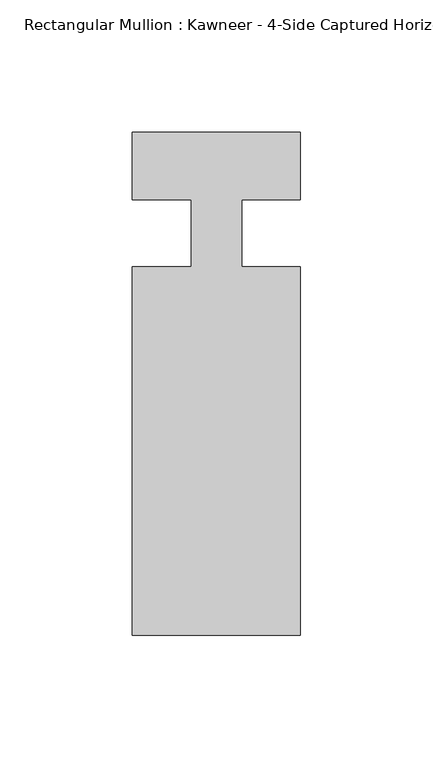
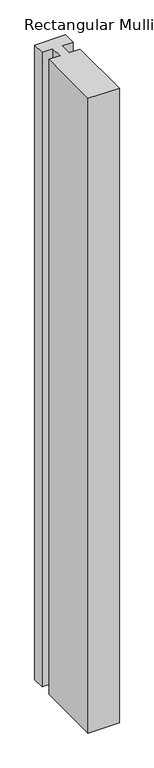
"""IFC4 building model written with IfcOpenShell, lengths in millimetres: member geometry."""

from ifc_helpers import new_model, si_unit, frame, origin, place, context, project, spatial, polyline, outline, extrude, source, transform, mapped, element, save


def member_93f8908b(model_context):
    return source(origin(), model_context, "Body", "SweptSolid", [
        extrude(outline(polyline([(-9.525, 12.7), (-31.75, 12.7), (-31.75, 38.1), (31.75, 38.1), (31.75, 12.7), (9.5251132, 12.7), (9.5251132, -12.7), (31.75, -12.7), (31.75, -151.892), (-31.75, -151.892), (-31.75, -12.7), (-9.525, -12.7), (-9.525, 12.7)])), frame((0.0, 0.0, -1373.7055615), z_axis=(0.0, 0.0, 1.0), x_axis=(1.0, 0.0, 0.0)), (0.0, 0.0, 1.0), 1373.7055615),
    ])


if __name__ == "__main__":
    model = new_model("IFC4")
    model_context = context("Model", 3, world=origin())
    ifc_project = project(units=[si_unit("LENGTHUNIT", "METRE", prefix="MILLI")], contexts=[model_context])
    site = spatial("IfcSite", under=ifc_project)
    building = spatial("IfcBuilding", under=site)
    placement = place(None, origin())
    member_shape = member_93f8908b(model_context)
    element("IfcMember", 1, ObjectType="Rectangular Mullion : Kawneer - 4-Side Captured Horizontal Mullion - 7 1/2\"", at=placement, inside=building, context=model_context, shape_type="MappedRepresentation", body=[
        mapped(member_shape, transform((0.0, 0.0, 0.0), x_axis=(1.0, 0.0, 0.0), y_axis=(0.0, 1.0, 0.0), z_axis=(0.0, 0.0, 1.0))),
    ])
    save(model, "model.ifc")
